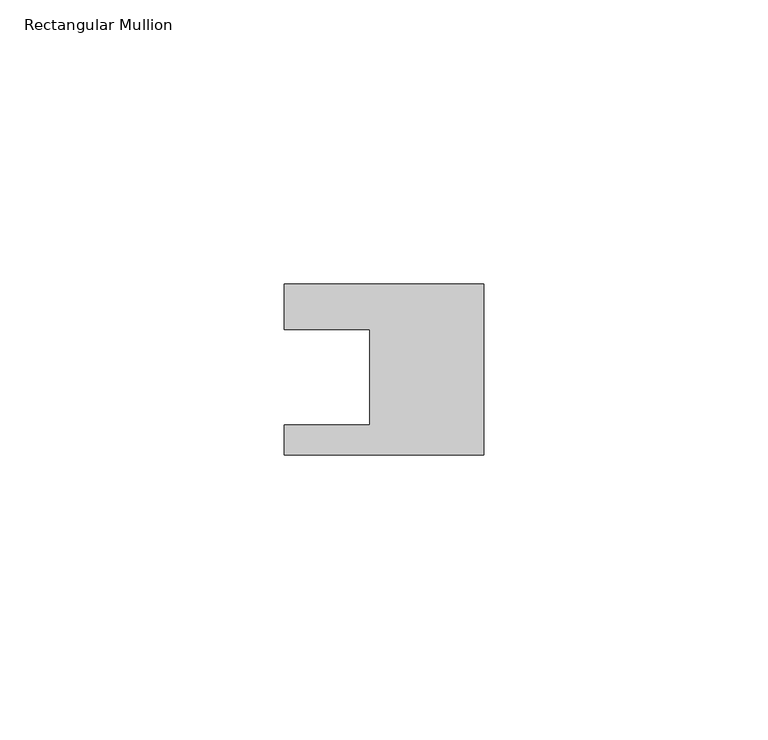
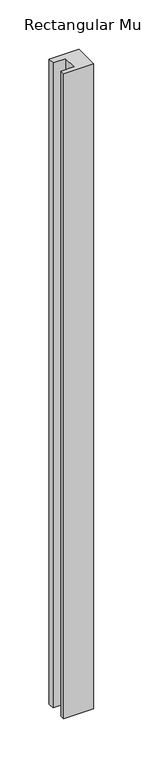
"""IFC4 building model written with IfcOpenShell, lengths in millimetres: member geometry, Rectangular Mullion."""

from ifc_helpers import new_model, si_unit, frame, origin, place, context, project, spatial, polyline, outline, extrude, source, transform, mapped, element, save


def rectangular_mullion_cecc1d84(model_context):
    return source(origin(), model_context, "Body", "SweptSolid", [
        extrude(outline(polyline([(0.0, 7.94), (0.0, -22.06), (-35.0, -22.06), (-35.0, -16.8), (-20.0, -16.8), (-20.0, 0.001), (-35.0, 0.001), (-35.0, 7.94), (0.0, 7.94)])), frame((0.0, 0.0, -800.0), z_axis=(0.0, 0.0, 1.0), x_axis=(1.0, 0.0, 0.0)), (0.0, 0.0, 1.0), 800.0),
    ])


if __name__ == "__main__":
    model = new_model("IFC4")
    model_context = context("Model", 3, world=origin())
    ifc_project = project(units=[si_unit("LENGTHUNIT", "METRE", prefix="MILLI")], contexts=[model_context])
    site = spatial("IfcSite", under=ifc_project)
    building = spatial("IfcBuilding", under=site)
    placement = place(None, origin())
    rectangular_mullion_shape = rectangular_mullion_cecc1d84(model_context)
    element("IfcMember", 1, ObjectType="Rectangular Mullion", at=placement, inside=building, context=model_context, shape_type="MappedRepresentation", body=[
        mapped(rectangular_mullion_shape, transform((0.0, 0.0, 0.0), x_axis=(1.0, 0.0, 0.0), y_axis=(0.0, 1.0, 0.0), z_axis=(0.0, 0.0, 1.0))),
    ])
    save(model, "model.ifc")
